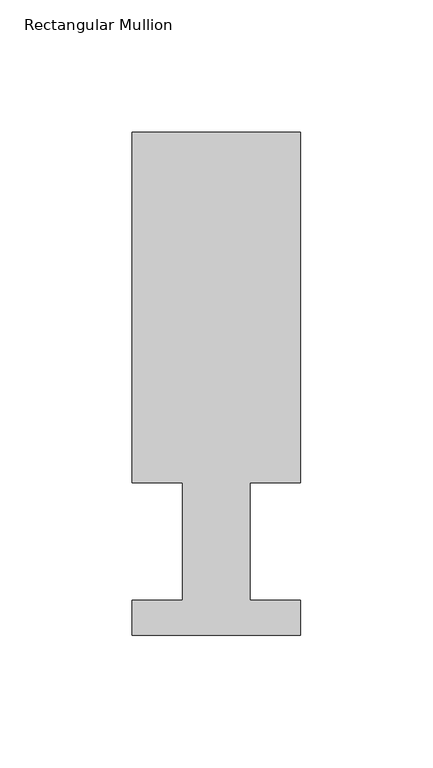
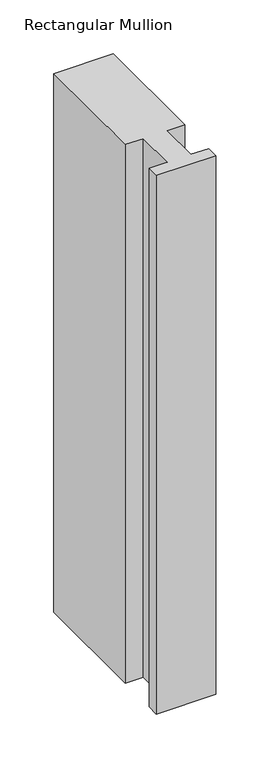
"""IFC4 building model written with IfcOpenShell, lengths in millimetres: member geometry, Rectangular Mullion."""

from ifc_helpers import new_model, si_unit, frame, origin, place, context, project, spatial, polyline, outline, extrude, source, transform, mapped, element, save


def rectangular_mullion_9e989218(model_context):
    return source(origin(), model_context, "Body", "SweptSolid", [
        extrude(outline(polyline([(0.0, 189.8022937), (0.0, 57.6460937), (-19.0373, 57.6460937), (-19.0373, 13.1960937), (0.0, 13.1960937), (0.0, 0.0134937), (-63.5, 0.0134937), (-63.5, 13.1960937), (-44.45, 13.1960937), (-44.45, 57.6460937), (-63.5, 57.6460937), (-63.5, 189.8022937), (0.0, 189.8022937)])), frame((0.0, 0.0, -609.6), z_axis=(0.0, 0.0, 1.0), x_axis=(1.0, 0.0, 0.0)), (0.0, 0.0, 1.0), 609.6),
    ])


if __name__ == "__main__":
    model = new_model("IFC4")
    model_context = context("Model", 3, world=origin())
    ifc_project = project(units=[si_unit("LENGTHUNIT", "METRE", prefix="MILLI")], contexts=[model_context])
    site = spatial("IfcSite", under=ifc_project)
    building = spatial("IfcBuilding", under=site)
    placement = place(None, origin())
    rectangular_mullion_shape = rectangular_mullion_9e989218(model_context)
    element("IfcMember", 1, ObjectType="Rectangular Mullion", at=placement, inside=building, context=model_context, shape_type="MappedRepresentation", body=[
        mapped(rectangular_mullion_shape, transform((0.0, 0.0, 0.0), x_axis=(1.0, 0.0, 0.0), y_axis=(0.0, 1.0, 0.0), z_axis=(0.0, 0.0, 1.0))),
    ])
    save(model, "model.ifc")
